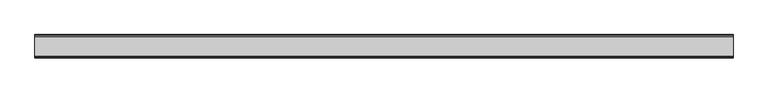
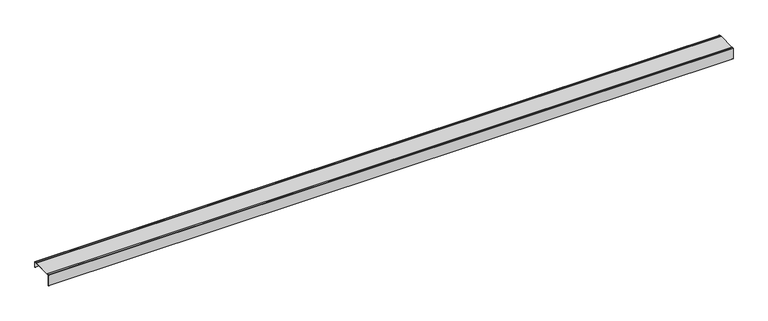
"""IFC4 building model written with IfcOpenShell, lengths in millimetres: proxy geometry."""

from ifc_helpers import new_model, si_unit, point, frame, frame_2d, origin, place, context, project, spatial, polyline, circle_curve, trimmed, segment, composite_curve, outline, extrude, source, transform, mapped, element, save


def generic_models_25ba197a(model_context):
    return source(origin(), model_context, "Body", "SweptSolid", [
        extrude(outline(composite_curve([segment(polyline([(49.75, -24.309779), (49.75, -1.25)]), True, "CONTINUOUS"), segment(trimmed(circle_curve(frame_2d((49.1, -1.25)), 0.65), [point((49.75, -1.25))], [point((49.1, -0.6))], True, "CARTESIAN"), True, "CONTINUOUS"), segment(polyline([(49.1, -0.6), (42.7087217, -0.6), (41.5350363, -1.4), (-41.5350363, -1.4), (-42.7087217, -0.6), (-49.1, -0.6)]), True, "CONTINUOUS"), segment(trimmed(circle_curve(frame_2d((-49.1, -1.25)), 0.65), [point((-49.1, -0.6))], [point((-49.75, -1.25))], True, "CARTESIAN"), True, "CONTINUOUS"), segment(polyline([(-49.75, -1.25), (-49.75, -50.0), (-50.0779242, -49.252478), (-50.35, -50.0), (-50.35, -1.25)]), True, "CONTINUOUS"), segment(trimmed(circle_curve(frame_2d((-49.1, -1.25)), 1.25), [point((-50.35, -1.25))], [point((-49.1, 0.0))], False, "CARTESIAN"), True, "CONTINUOUS"), segment(polyline([(-49.1, 0.0), (-42.5236854, 0.0), (-41.35, -0.8), (41.35, -0.8), (42.5236854, 0.0), (49.1, 0.0)]), True, "CONTINUOUS"), segment(trimmed(circle_curve(frame_2d((49.1, -1.25)), 1.25), [point((49.1, 0.0))], [point((50.35, -1.25))], False, "CARTESIAN"), True, "CONTINUOUS"), segment(polyline([(50.35, -1.25), (50.35, -25.0), (49.75, -24.309779)]), True, "CONTINUOUS")], self_intersect=False)), frame((0.0, 0.0, 0.0), z_axis=(1.0, 0.0, 0.0), x_axis=(0.0, 1.0, 0.0)), (0.0, 0.0, 1.0), 3000.0),
    ])


if __name__ == "__main__":
    model = new_model("IFC4")
    model_context = context("Model", 3, world=origin())
    ifc_project = project(units=[si_unit("LENGTHUNIT", "METRE", prefix="MILLI")], contexts=[model_context])
    site = spatial("IfcSite", under=ifc_project)
    building = spatial("IfcBuilding", under=site)
    placement = place(None, origin())
    generic_models_shape = generic_models_25ba197a(model_context)
    element("IfcBuildingElementProxy", 1, Name="Generic Models", at=placement, inside=building, context=model_context, shape_type="MappedRepresentation", body=[
        mapped(generic_models_shape, transform((0.0, 0.0, 0.0), x_axis=(1.0, 0.0, 0.0), y_axis=(0.0, 1.0, 0.0), z_axis=(0.0, 0.0, 1.0))),
    ])
    save(model, "model.ifc")
